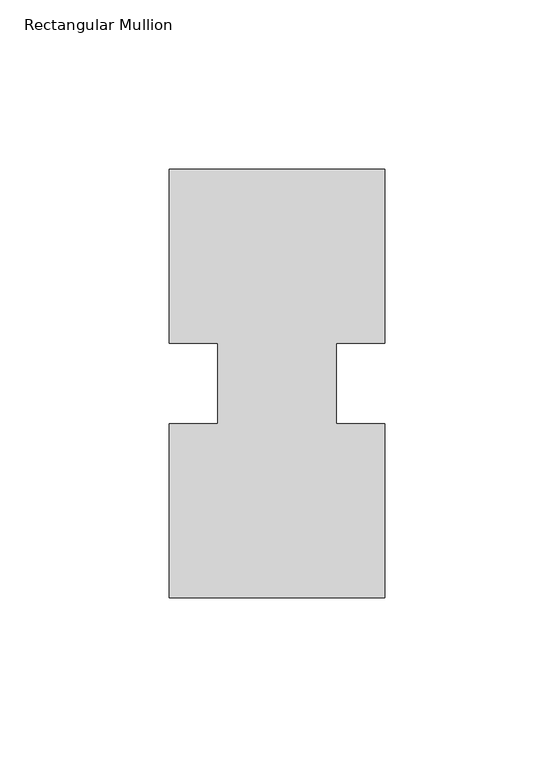
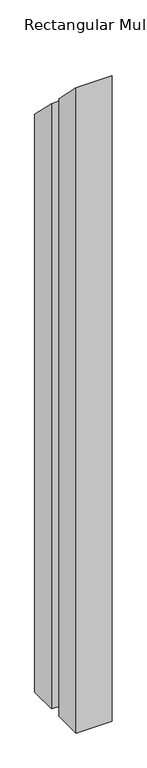
"""IFC4 building model written with IfcOpenShell, lengths in millimetres: member geometry, Rectangular Mullion."""

import ifcopenshell
import ifcopenshell.guid

model = None  # the IFC model being written
_history = None  # IfcOwnerHistory: only IFC2X3 demands one
_inside = {}  # id of a spatial element -> (the spatial element, [elements in it])
_under = {}  # id of a project, library or spatial element -> (it, [spatial elements below it])
_declared = {}  # id of a project -> (the project, [libraries it declares])
_typed = {}  # id of a type object -> (the type object, [elements of that type])
_made_of = {}  # id of a material, layer set ... -> (it, [elements and type objects made of it])


def new_model(schema):
    """Start an empty IFC model of exactly this schema.

    Asked for "IFC4X3", IfcOpenShell would pick the latest addendum, in which some entities
    have other attributes; the version numbers below select the first issue.
    IFC2X3 requires an IfcOwnerHistory on every rooted entity: one is made here for all.
    """
    global model, _history
    if schema == "IFC4X3":
        model = ifcopenshell.file(schema_version=(4, 3, 0, 0))
    else:
        model = ifcopenshell.file(schema=schema)
    _inside.clear()
    _under.clear()
    _declared.clear()
    _typed.clear()
    _made_of.clear()
    _history = None
    if model.schema == "IFC2X3":
        org = make("IfcOrganization", Name="unknown")
        user = make(
            "IfcPersonAndOrganization",
            ThePerson=make("IfcPerson", FamilyName="unknown"),
            TheOrganization=org,
        )
        app = make(
            "IfcApplication",
            ApplicationDeveloper=org,
            Version="unknown",
            ApplicationFullName="unknown",
            ApplicationIdentifier="unknown",
        )
        _history = make(
            "IfcOwnerHistory",
            OwningUser=user,
            OwningApplication=app,
            ChangeAction="ADDED",
            CreationDate=0,
        )
    return model


def make(cls, **values):
    """One entity of the class cls with the attributes given. An attribute that is None is left unset."""
    return model.create_entity(
        cls, **{name: value for name, value in values.items() if value is not None}
    )


def rooted(cls, **values):
    """An entity with a GlobalId (a new one), such as an element, a storey or a relation."""
    return make(cls, GlobalId=ifcopenshell.guid.new(), OwnerHistory=_history, **values)


def si_unit(unit_type, name, prefix=None):
    """IfcSIUnit, for example si_unit("LENGTHUNIT", "METRE", prefix="MILLI")."""
    return make("IfcSIUnit", UnitType=unit_type, Prefix=prefix, Name=name)


def assignment(units):
    """IfcUnitAssignment: the units of a project."""
    return None if units is None else make("IfcUnitAssignment", Units=units)


def point(xyz):
    """IfcCartesianPoint."""
    return None if xyz is None else make("IfcCartesianPoint", Coordinates=xyz)


def direction(xyz):
    """IfcDirection."""
    return None if xyz is None else make("IfcDirection", DirectionRatios=xyz)


def frame(location, z_axis=None, x_axis=None):
    """IfcAxis2Placement3D, a coordinate frame: its origin and axes. An axis left out is left unset."""
    return make(
        "IfcAxis2Placement3D",
        Location=point(location),
        Axis=direction(z_axis),
        RefDirection=direction(x_axis),
    )


def origin():
    """The frame at (0, 0, 0) with its axes left unset."""
    return frame((0.0, 0.0, 0.0))


def place(relative_to, where):
    """IfcLocalPlacement: puts the frame where relative to a parent placement (None: the world)."""
    return make(
        "IfcLocalPlacement", PlacementRelTo=relative_to, RelativePlacement=where
    )


def context(
    kind, dimensions, precision=None, world=None, true_north=None, identifier=None
):
    """IfcGeometricRepresentationContext, for example the 3D "Model" context."""
    return make(
        "IfcGeometricRepresentationContext",
        ContextIdentifier=identifier,
        ContextType=kind,
        CoordinateSpaceDimension=dimensions,
        Precision=precision,
        WorldCoordinateSystem=world,
        TrueNorth=true_north,
    )


def project(units=None, contexts=None):
    """IfcProject with its units and contexts."""
    return rooted(
        "IfcProject",
        Name="project",
        RepresentationContexts=contexts,
        UnitsInContext=assignment(units),
    )


def spatial(cls, under=None, at=None, **own):
    """A site, building, storey or space (cls), placed at a placement, below another one or the project."""
    s = rooted(cls, ObjectPlacement=at, **own)
    if under is not None:
        _under.setdefault(under.id(), (under, []))[1].append(s)
    return s


def faces_of(points, faces, orient=None, outer=None):
    """IfcFace entities. A face is a list of loops; a loop is a list of indices into points, from 0.

    orient and outer hold one flag for each loop. By default every Orientation is true, the
    first loop of a face is its IfcFaceOuterBound and the others are IfcFaceBound.
    """
    made = []
    for i, loops in enumerate(faces):
        bounds = []
        for j, loop in enumerate(loops):
            is_outer = j == 0 if outer is None else outer[i][j]
            bounds.append(
                make(
                    "IfcFaceOuterBound" if is_outer else "IfcFaceBound",
                    Bound=make("IfcPolyLoop", Polygon=[points[k] for k in loop]),
                    Orientation=True if orient is None else orient[i][j],
                )
            )
        made.append(make("IfcFace", Bounds=bounds))
    return made


def faceted_brep(points, faces, orient=None, outer=None, voids=None):
    """IfcFacetedBrep: a solid bounded by flat faces; with voids (closed shells), ...WithVoids."""
    shared = [point(p) for p in points]
    hull = make("IfcClosedShell", CfsFaces=faces_of(shared, faces, orient, outer))
    if voids is None:
        return make("IfcFacetedBrep", Outer=hull)
    return make(
        "IfcFacetedBrepWithVoids",
        Outer=hull,
        Voids=[
            make(cls, CfsFaces=faces_of(shared, fs, o, b)) for cls, fs, o, b in voids
        ],
    )


def shape(context_of_items, identifier, shape_type, items):
    """IfcShapeRepresentation: the items that make up one representation, for example the "Body"."""
    return make(
        "IfcShapeRepresentation",
        ContextOfItems=context_of_items,
        RepresentationIdentifier=identifier,
        RepresentationType=shape_type,
        Items=items,
    )


def source(mapping_origin, context_of_items, identifier, shape_type, items):
    """IfcRepresentationMap: a shape defined once, which mapped items show again and again."""
    return make(
        "IfcRepresentationMap",
        MappingOrigin=mapping_origin,
        MappedRepresentation=shape(context_of_items, identifier, shape_type, items),
    )


def transform(
    local_origin,
    x_axis=None,
    y_axis=None,
    z_axis=None,
    scale=None,
    scale2=None,
    scale3=None,
    uniform=True,
):
    """IfcCartesianTransformationOperator3D, or its non-uniform kind. x_axis, y_axis, z_axis: its Axis1, 2, 3."""
    if uniform:
        return make(
            "IfcCartesianTransformationOperator3D",
            Axis1=direction(x_axis),
            Axis2=direction(y_axis),
            LocalOrigin=point(local_origin),
            Scale=scale,
            Axis3=direction(z_axis),
        )
    return make(
        "IfcCartesianTransformationOperator3DnonUniform",
        Axis1=direction(x_axis),
        Axis2=direction(y_axis),
        LocalOrigin=point(local_origin),
        Scale=scale,
        Axis3=direction(z_axis),
        Scale2=scale2,
        Scale3=scale3,
    )


def mapped(mapping_source, mapping_target):
    """IfcMappedItem: shows the shape of a source again, moved by a transform."""
    return make(
        "IfcMappedItem", MappingSource=mapping_source, MappingTarget=mapping_target
    )


def made_of(thing, what):
    """Note that an element or type object is made of a material, layer set ...; save() writes the relation."""
    if what is not None:
        _made_of.setdefault(what.id(), (what, []))[1].append(thing)
    return thing


def element(
    cls,
    number,
    at=None,
    inside=None,
    cuts=None,
    type_object=None,
    material=None,
    context=None,
    identifier="Body",
    shape_type=None,
    held_by="IfcProductDefinitionShape",
    body=None,
    shapes=None,
    **own,
):
    """One element of the class cls, such as IfcWall. Its Tag is "e" and its number.

    at: its placement. inside: the storey or other place that contains it. cuts: it is an
    opening in that element (IfcRelVoidsElement). A single representation is given by context,
    identifier, shape_type and body (its items); several are given by shapes. held_by: the class
    of the entity that holds the representations. save() writes the other relations.
    """
    e = rooted(cls, Tag="e%d" % number, ObjectPlacement=at, **own)
    if body is not None:
        shapes = [shape(context, identifier, shape_type, body)]
    if shapes is not None:
        e.Representation = make(held_by, Representations=shapes)
    if inside is not None:
        _inside.setdefault(inside.id(), (inside, []))[1].append(e)
    if cuts is not None:
        rooted(
            "IfcRelVoidsElement", RelatingBuildingElement=cuts, RelatedOpeningElement=e
        )
    if type_object is not None:
        _typed.setdefault(type_object.id(), (type_object, []))[1].append(e)
    return made_of(e, material)


def aggregate(whole, parts):
    """IfcRelAggregates: a whole, such as a stair, and the parts it consists of."""
    return rooted("IfcRelAggregates", RelatingObject=whole, RelatedObjects=parts)


def save(model, path):
    """Write the relations noted so far, then the file.

    IfcRelAggregates (storeys below a building ...), IfcRelContainedInSpatialStructure (elements
    in a storey), IfcRelDefinesByType, IfcRelAssociatesMaterial and IfcRelDeclares: one each for
    every whole, place, type object, material and project.
    """
    for whole, parts in _under.values():
        aggregate(whole, parts)
    for where, things in _inside.values():
        rooted(
            "IfcRelContainedInSpatialStructure",
            RelatedElements=things,
            RelatingStructure=where,
        )
    for kind, things in _typed.values():
        rooted("IfcRelDefinesByType", RelatedObjects=things, RelatingType=kind)
    for what, things in _made_of.values():
        rooted("IfcRelAssociatesMaterial", RelatedObjects=things, RelatingMaterial=what)
    for by, libraries in _declared.values():
        rooted("IfcRelDeclares", RelatingContext=by, RelatedDefinitions=libraries)
    model.write(path)


def rectangular_mullion_23c714a6(model_context):
    return source(origin(), model_context, "Body", "Brep", [
        faceted_brep([(-63.5, 0.26035, -1206.50635), (-63.5, 51.60645, -1206.50635), (-49.2125, 51.60645, -1206.50635), (-49.2125, 75.40625, -1206.50635), (-63.5, 75.40625, -1206.50635), (-63.5, 126.75235, -1206.50635), (0.0, 126.75235, -1206.50635), (0.0, 75.40625, -1206.50635), (-14.2748, 75.40625, -1206.50635), (-14.2748, 51.60645, -1206.50635), (0.0, 51.60645, -1206.50635), (0.0, 0.26035, -1206.50635), (0.0, 0.26035, -0.26035), (-63.5, 0.26035, -0.26035), (0.0, 51.60645, -51.60645), (-14.2748, 51.60645, -51.60645), (-14.2748, 75.40625, -75.40625), (0.0, 75.40625, -75.40625), (0.0, 126.75235, -126.75235), (-63.5, 126.75235, -126.75235), (-63.5, 75.40625, -75.40625), (-49.2125, 75.40625, -75.40625), (-49.2125, 51.60645, -51.60645), (-63.5, 51.60645, -51.60645)], [[[0, 1, 2, 3, 4, 5, 6, 7, 8, 9, 10, 11]], [[12, 13, 0, 11]], [[14, 12, 11, 10]], [[15, 14, 10, 9]], [[16, 15, 9, 8]], [[17, 16, 8, 7]], [[18, 17, 7, 6]], [[19, 18, 6, 5]], [[20, 19, 5, 4]], [[21, 20, 4, 3]], [[22, 21, 3, 2]], [[23, 22, 2, 1]], [[13, 23, 1, 0]], [[13, 12, 14, 15, 16, 17, 18, 19, 20, 21, 22, 23]]]),
    ])


if __name__ == "__main__":
    model = new_model("IFC4")
    model_context = context("Model", 3, world=origin())
    ifc_project = project(units=[si_unit("LENGTHUNIT", "METRE", prefix="MILLI")], contexts=[model_context])
    site = spatial("IfcSite", under=ifc_project)
    building = spatial("IfcBuilding", under=site)
    placement = place(None, origin())
    rectangular_mullion_shape = rectangular_mullion_23c714a6(model_context)
    element("IfcMember", 1, ObjectType="Rectangular Mullion", at=placement, inside=building, context=model_context, shape_type="MappedRepresentation", body=[
        mapped(rectangular_mullion_shape, transform((0.0, 0.0, 0.0), x_axis=(1.0, 0.0, 0.0), y_axis=(0.0, 1.0, 0.0), z_axis=(0.0, 0.0, 1.0))),
    ])
    save(model, "model.ifc")
